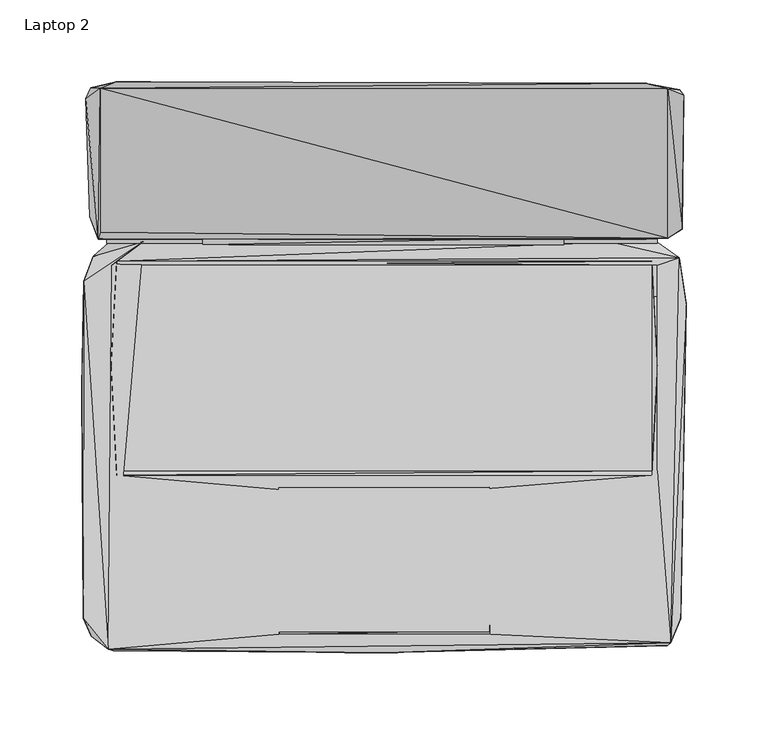
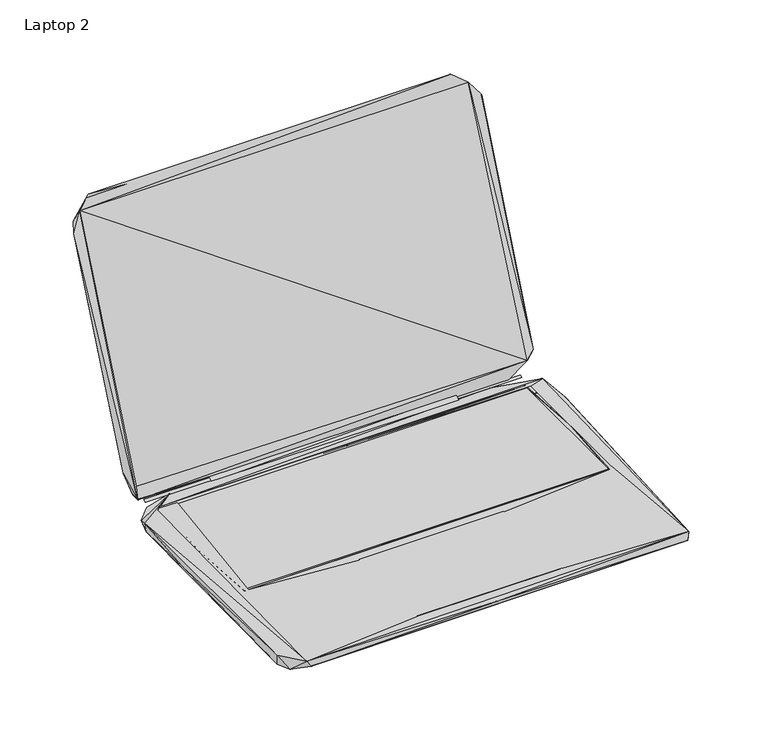
"""IFC4 building model written with IfcOpenShell, lengths in millimetres: furniture geometry, Laptop 2."""

from ifc_helpers import new_model, si_unit, origin, place, context, project, spatial, triangles, source, transform, mapped, element, save


def laptop_2_42cd604e(model_context):
    return source(origin(), model_context, "Body", "Tessellation", [
        triangles([(-163.1627697, -63.4161237, 10.6379669), (163.3643744, -63.4161101, 10.6379669), (-163.1627697, 62.2339511, 10.6379669), (163.3643744, 62.2339648, 10.6379669)], [[1, 2, 3], [2, 4, 3]], closed=False),
        triangles([(-110.8122223, 74.627794, 10.6596248), (109.6013406, 74.6278076, 10.6596248), (109.7013345, 79.027807, 13.559625), (-110.8122223, 79.1277919, 13.559625), (-177.7495428, 67.5618145, 1.9875597), (-147.0631074, 76.4618118, 11.2875593), (-168.0495353, 76.0618135, 5.7875595), (179.8283585, 64.0618283, 1.3875597), (-175.7495377, 83.7618113, 15.6875588), (179.7283646, 88.3618303, 24.887557), (153.6283589, 77.6618294, 9.9875603), (-174.5495383, 78.161817, 13.8875596), (-173.4495509, 82.3618059, 23.5875592), (-173.4495691, 170.0837498, 230.6309262), (173.2283617, 78.5618289, 23.5875592), (-182.3495527, 163.7837528, 215.930915), (-169.4495407, 75.7618182, 11.0875602), (166.7283587, 75.7618318, 11.0875602), (-169.4495407, 78.161817, 12.3875592), (166.7283587, 78.1618261, 12.3875592), (138.5419342, 76.361827, 10.7875592), (166.8283708, 76.261824, 5.8875596), (-166.3495482, 62.0618141, 11.38756), (-163.1495437, 64.7618083, 11.38756), (-163.1495437, 62.1618125, 10.6875596), (163.4283603, 64.7618264, 11.38756), (166.7283587, 62.1618307, 11.4875596), (180.1283584, 66.761827, 11.1875598), (163.4283603, 62.1618307, 10.6875596), (181.8283636, 84.2618262, 27.087559), (173.2283617, 169.9837741, 230.7309201), (183.028363, 165.9837639, 217.9309201), (180.4283401, 169.2837623, 219.6309072), (-179.2495603, 170.3837315, 222.6309239), (-163.4495617, 174.0837419, 240.2309216), (159.4283501, 173.2837725, 240.9309152), (-183.6495279, -153.3039964, 10.6875596), (-182.5495224, -150.8039946, 0.2875598), (-178.8495302, -164.2039852, 2.0875598), (-168.349517, -172.3039813, 11.1875598), (-184.5495456, -12.9601214, 6.4875599), (-183.349528, 52.5508394, 10.0875599), (-180.9495473, 54.1508417, 0.2875598), (180.9283822, -153.7039538, 0.3875598), (-165.1495306, -173.3039929, 5.9875598), (172.92838, -170.0039582, 4.2875599), (-0.1173518, -174.3039864, 9.9875603), (-64.390233, -163.2039917, 11.4875596), (-62.6902369, -74.8820436, 10.9875595), (174.828373, -168.403965, 11.2875593), (64.6690632, -163.2039917, 11.4875596), (-166.549536, -63.3820506, 11.4875596), (-162.9495559, -66.0820538, 11.4875596), (-64.390233, -161.8039681, 11.0875602), (64.269074, -161.7039742, 11.0875602), (64.069068, -73.4820427, 11.0875602), (-64.4902269, -73.5820457, 11.0875602), (-63.4902335, -159.8039812, 10.9875595), (62.0690675, -161.1039745, 10.9875595), (62.1690659, -74.18205, 10.9875595), (184.3283564, 38.5508627, 8.7875592), (163.4283603, -66.0820402, 11.4875596), (166.7283587, -63.3820369, 11.4875596), (182.5283572, 42.6508668, 0.1875598), (-163.1495437, -66.0820538, 11.38756), (163.4283603, -63.3820369, 10.6875596), (-163.1495437, -63.3820506, 10.6875596), (-166.549536, 0.5398784, 11.38756), (166.7283587, -1.7601028, 11.38756), (-179.8495418, 91.6618197, 32.1875588)], [[1, 2, 3], [1, 3, 4], [5, 6, 7], [5, 7, 8], [9, 10, 11], [9, 11, 12], [12, 13, 14], [12, 11, 15], [12, 15, 13], [12, 14, 16], [17, 18, 19], [19, 18, 20], [7, 6, 21], [7, 21, 22], [7, 22, 8], [23, 24, 6], [24, 25, 26], [24, 21, 6], [24, 27, 28], [24, 28, 21], [25, 29, 26], [21, 28, 22], [11, 30, 15], [11, 10, 30], [22, 28, 8], [15, 30, 31], [10, 32, 30], [10, 33, 32], [30, 32, 31], [16, 14, 34], [34, 35, 33], [34, 14, 35], [14, 36, 35], [14, 31, 36], [35, 36, 33], [36, 31, 33], [31, 32, 33], [37, 38, 39], [37, 39, 40], [37, 41, 38], [37, 42, 41], [37, 40, 42], [38, 41, 43], [38, 44, 39], [38, 43, 44], [39, 45, 40], [39, 46, 45], [39, 44, 46], [40, 23, 6], [40, 45, 47], [40, 48, 49], [40, 47, 50], [40, 51, 48], [40, 50, 51], [40, 52, 23], [40, 53, 52], [40, 49, 53], [40, 6, 42], [45, 46, 47], [54, 55, 56], [54, 56, 57], [48, 58, 49], [48, 59, 58], [48, 51, 59], [47, 46, 50], [51, 50, 60], [46, 44, 50], [50, 61, 28], [50, 44, 61], [50, 62, 60], [50, 63, 62], [50, 27, 63], [50, 28, 27], [44, 64, 61], [44, 43, 64], [65, 66, 67], [65, 62, 66], [65, 67, 68], [67, 25, 68], [53, 49, 60], [53, 60, 62], [66, 62, 69], [66, 69, 29], [41, 42, 43], [68, 25, 24], [69, 26, 29], [42, 5, 43], [42, 6, 5], [43, 5, 8], [43, 8, 64], [64, 8, 61], [61, 8, 28], [70, 9, 12], [70, 12, 16], [70, 10, 9], [70, 34, 33], [70, 33, 10], [70, 16, 34]], closed=False),
        triangles([(-173.4428653, 82.3395871, 23.5443364), (173.2898041, 78.539601, 23.5443364), (-173.4428834, 170.1375074, 230.6010043), (173.289786, 169.9375378, 230.6010043)], [[1, 2, 3], [2, 4, 3]], closed=False),
    ])


if __name__ == "__main__":
    model = new_model("IFC4")
    model_context = context("Model", 3, world=origin())
    ifc_project = project(units=[si_unit("LENGTHUNIT", "METRE", prefix="MILLI")], contexts=[model_context])
    site = spatial("IfcSite", under=ifc_project)
    building = spatial("IfcBuilding", under=site)
    placement = place(None, origin())
    laptop_2_shape = laptop_2_42cd604e(model_context)
    element("IfcFurniture", 1, ObjectType="Laptop 2", at=placement, inside=building, context=model_context, shape_type="MappedRepresentation", body=[
        mapped(laptop_2_shape, transform((0.0, 0.0, 0.0), x_axis=(1.0, 0.0, 0.0), y_axis=(0.0, 1.0, 0.0), z_axis=(0.0, 0.0, 1.0))),
    ])
    save(model, "model.ifc")
